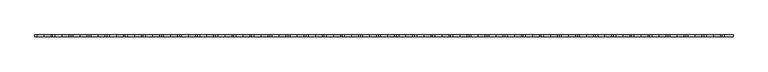
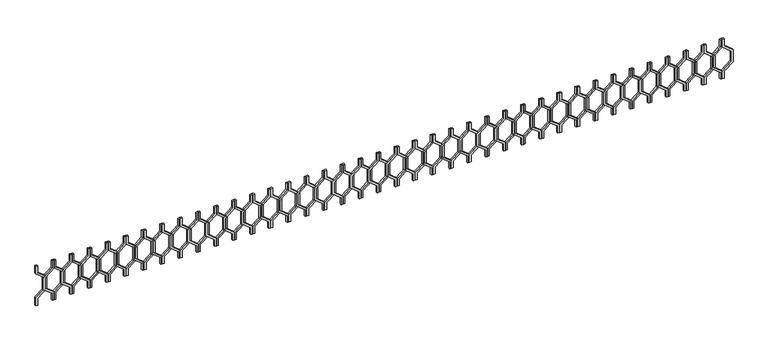
"""IFC4 building model written with IfcOpenShell, lengths in millimetres: railing geometry."""

from ifc_helpers import new_model, si_unit, frame, origin, place, context, project, spatial, polyline, outline, extrude, source, transform, mapped, element, save


def railing_f1221bb3(model_context):
    return source(origin(), model_context, "Body", "SweptSolid", [
        extrude(outline(polyline([(28713.0, -25324.9887159), (28623.448155, -25324.9887159), (28543.448155, -25225.9937665), (28422.551845, -25225.9937665), (28342.551845, -25324.9887159), (28253.0, -25324.9887159), (28253.0, -25304.9887159), (28333.0, -25304.9887159), (28413.0, -25205.9937665), (28553.0, -25205.9937665), (28633.0, -25304.9887159), (28713.0, -25304.9887159), (28713.0, -25324.9887159)])), frame((0.0, -16741.8920513, 0.0), z_axis=(0.0, 1.0, 0.0), x_axis=(0.0, 0.0, 1.0)), (0.0, 0.0, 1.0), 20.0),
        extrude(outline(polyline([(28713.0, -25324.9887159), (28713.0, -25344.9887159), (28633.0, -25344.9887159), (28553.0, -25443.9836653), (28413.0, -25443.9836653), (28333.0, -25344.9887159), (28253.0, -25344.9887159), (28253.0, -25324.9887159), (28342.551845, -25324.9887159), (28422.551845, -25423.9836653), (28543.448155, -25423.9836653), (28623.448155, -25324.9887159), (28713.0, -25324.9887159)])), frame((0.0, -16741.8920513, 0.0), z_axis=(0.0, 1.0, 0.0), x_axis=(0.0, 0.0, 1.0)), (0.0, 0.0, 1.0), 20.0),
        extrude(outline(polyline([(28713.0, -25524.9887159), (28623.448155, -25524.9887159), (28543.448155, -25425.9937665), (28422.551845, -25425.9937665), (28342.551845, -25524.9887159), (28253.0, -25524.9887159), (28253.0, -25504.9887159), (28333.0, -25504.9887159), (28413.0, -25405.9937665), (28553.0, -25405.9937665), (28633.0, -25504.9887159), (28713.0, -25504.9887159), (28713.0, -25524.9887159)])), frame((0.0, -16741.8920513, 0.0), z_axis=(0.0, 1.0, 0.0), x_axis=(0.0, 0.0, 1.0)), (0.0, 0.0, 1.0), 20.0),
        extrude(outline(polyline([(28713.0, -25524.9887159), (28713.0, -25544.9887159), (28633.0, -25544.9887159), (28553.0, -25643.9836653), (28413.0, -25643.9836653), (28333.0, -25544.9887159), (28253.0, -25544.9887159), (28253.0, -25524.9887159), (28342.551845, -25524.9887159), (28422.551845, -25623.9836653), (28543.448155, -25623.9836653), (28623.448155, -25524.9887159), (28713.0, -25524.9887159)])), frame((0.0, -16741.8920513, 0.0), z_axis=(0.0, 1.0, 0.0), x_axis=(0.0, 0.0, 1.0)), (0.0, 0.0, 1.0), 20.0),
        extrude(outline(polyline([(28713.0, -25724.9887159), (28623.448155, -25724.9887159), (28543.448155, -25625.9937665), (28422.551845, -25625.9937665), (28342.551845, -25724.9887159), (28253.0, -25724.9887159), (28253.0, -25704.9887159), (28333.0, -25704.9887159), (28413.0, -25605.9937665), (28553.0, -25605.9937665), (28633.0, -25704.9887159), (28713.0, -25704.9887159), (28713.0, -25724.9887159)])), frame((0.0, -16741.8920513, 0.0), z_axis=(0.0, 1.0, 0.0), x_axis=(0.0, 0.0, 1.0)), (0.0, 0.0, 1.0), 20.0),
        extrude(outline(polyline([(28713.0, -25724.9887159), (28713.0, -25744.9887159), (28633.0, -25744.9887159), (28553.0, -25843.9836653), (28413.0, -25843.9836653), (28333.0, -25744.9887159), (28253.0, -25744.9887159), (28253.0, -25724.9887159), (28342.551845, -25724.9887159), (28422.551845, -25823.9836653), (28543.448155, -25823.9836653), (28623.448155, -25724.9887159), (28713.0, -25724.9887159)])), frame((0.0, -16741.8920513, 0.0), z_axis=(0.0, 1.0, 0.0), x_axis=(0.0, 0.0, 1.0)), (0.0, 0.0, 1.0), 20.0),
        extrude(outline(polyline([(28713.0, -25924.9887159), (28623.448155, -25924.9887159), (28543.448155, -25825.9937665), (28422.551845, -25825.9937665), (28342.551845, -25924.9887159), (28253.0, -25924.9887159), (28253.0, -25904.9887159), (28333.0, -25904.9887159), (28413.0, -25805.9937665), (28553.0, -25805.9937665), (28633.0, -25904.9887159), (28713.0, -25904.9887159), (28713.0, -25924.9887159)])), frame((0.0, -16741.8920513, 0.0), z_axis=(0.0, 1.0, 0.0), x_axis=(0.0, 0.0, 1.0)), (0.0, 0.0, 1.0), 20.0),
        extrude(outline(polyline([(28713.0, -25924.9887159), (28713.0, -25944.9887159), (28633.0, -25944.9887159), (28553.0, -26043.9836653), (28413.0, -26043.9836653), (28333.0, -25944.9887159), (28253.0, -25944.9887159), (28253.0, -25924.9887159), (28342.551845, -25924.9887159), (28422.551845, -26023.9836653), (28543.448155, -26023.9836653), (28623.448155, -25924.9887159), (28713.0, -25924.9887159)])), frame((0.0, -16741.8920513, 0.0), z_axis=(0.0, 1.0, 0.0), x_axis=(0.0, 0.0, 1.0)), (0.0, 0.0, 1.0), 20.0),
        extrude(outline(polyline([(28713.0, -26124.9887159), (28623.448155, -26124.9887159), (28543.448155, -26025.9937665), (28422.551845, -26025.9937665), (28342.551845, -26124.9887159), (28253.0, -26124.9887159), (28253.0, -26104.9887159), (28333.0, -26104.9887159), (28413.0, -26005.9937665), (28553.0, -26005.9937665), (28633.0, -26104.9887159), (28713.0, -26104.9887159), (28713.0, -26124.9887159)])), frame((0.0, -16741.8920513, 0.0), z_axis=(0.0, 1.0, 0.0), x_axis=(0.0, 0.0, 1.0)), (0.0, 0.0, 1.0), 20.0),
        extrude(outline(polyline([(28713.0, -26124.9887159), (28713.0, -26144.9887159), (28633.0, -26144.9887159), (28553.0, -26243.9836653), (28413.0, -26243.9836653), (28333.0, -26144.9887159), (28253.0, -26144.9887159), (28253.0, -26124.9887159), (28342.551845, -26124.9887159), (28422.551845, -26223.9836653), (28543.448155, -26223.9836653), (28623.448155, -26124.9887159), (28713.0, -26124.9887159)])), frame((0.0, -16741.8920513, 0.0), z_axis=(0.0, 1.0, 0.0), x_axis=(0.0, 0.0, 1.0)), (0.0, 0.0, 1.0), 20.0),
        extrude(outline(polyline([(28713.0, -26324.9887159), (28623.448155, -26324.9887159), (28543.448155, -26225.9937665), (28422.551845, -26225.9937665), (28342.551845, -26324.9887159), (28253.0, -26324.9887159), (28253.0, -26304.9887159), (28333.0, -26304.9887159), (28413.0, -26205.9937665), (28553.0, -26205.9937665), (28633.0, -26304.9887159), (28713.0, -26304.9887159), (28713.0, -26324.9887159)])), frame((0.0, -16741.8920513, 0.0), z_axis=(0.0, 1.0, 0.0), x_axis=(0.0, 0.0, 1.0)), (0.0, 0.0, 1.0), 20.0),
        extrude(outline(polyline([(28713.0, -26324.9887159), (28713.0, -26344.9887159), (28633.0, -26344.9887159), (28553.0, -26443.9836653), (28413.0, -26443.9836653), (28333.0, -26344.9887159), (28253.0, -26344.9887159), (28253.0, -26324.9887159), (28342.551845, -26324.9887159), (28422.551845, -26423.9836653), (28543.448155, -26423.9836653), (28623.448155, -26324.9887159), (28713.0, -26324.9887159)])), frame((0.0, -16741.8920513, 0.0), z_axis=(0.0, 1.0, 0.0), x_axis=(0.0, 0.0, 1.0)), (0.0, 0.0, 1.0), 20.0),
        extrude(outline(polyline([(28713.0, -26524.9887159), (28623.448155, -26524.9887159), (28543.448155, -26425.9937665), (28422.551845, -26425.9937665), (28342.551845, -26524.9887159), (28253.0, -26524.9887159), (28253.0, -26504.9887159), (28333.0, -26504.9887159), (28413.0, -26405.9937665), (28553.0, -26405.9937665), (28633.0, -26504.9887159), (28713.0, -26504.9887159), (28713.0, -26524.9887159)])), frame((0.0, -16741.8920513, 0.0), z_axis=(0.0, 1.0, 0.0), x_axis=(0.0, 0.0, 1.0)), (0.0, 0.0, 1.0), 20.0),
        extrude(outline(polyline([(28713.0, -26524.9887159), (28713.0, -26544.9887159), (28633.0, -26544.9887159), (28553.0, -26643.9836653), (28413.0, -26643.9836653), (28333.0, -26544.9887159), (28253.0, -26544.9887159), (28253.0, -26524.9887159), (28342.551845, -26524.9887159), (28422.551845, -26623.9836653), (28543.448155, -26623.9836653), (28623.448155, -26524.9887159), (28713.0, -26524.9887159)])), frame((0.0, -16741.8920513, 0.0), z_axis=(0.0, 1.0, 0.0), x_axis=(0.0, 0.0, 1.0)), (0.0, 0.0, 1.0), 20.0),
        extrude(outline(polyline([(28713.0, -26724.9887159), (28623.448155, -26724.9887159), (28543.448155, -26625.9937665), (28422.551845, -26625.9937665), (28342.551845, -26724.9887159), (28253.0, -26724.9887159), (28253.0, -26704.9887159), (28333.0, -26704.9887159), (28413.0, -26605.9937665), (28553.0, -26605.9937665), (28633.0, -26704.9887159), (28713.0, -26704.9887159), (28713.0, -26724.9887159)])), frame((0.0, -16741.8920513, 0.0), z_axis=(0.0, 1.0, 0.0), x_axis=(0.0, 0.0, 1.0)), (0.0, 0.0, 1.0), 20.0),
        extrude(outline(polyline([(28713.0, -26724.9887159), (28713.0, -26744.9887159), (28633.0, -26744.9887159), (28553.0, -26843.9836653), (28413.0, -26843.9836653), (28333.0, -26744.9887159), (28253.0, -26744.9887159), (28253.0, -26724.9887159), (28342.551845, -26724.9887159), (28422.551845, -26823.9836653), (28543.448155, -26823.9836653), (28623.448155, -26724.9887159), (28713.0, -26724.9887159)])), frame((0.0, -16741.8920513, 0.0), z_axis=(0.0, 1.0, 0.0), x_axis=(0.0, 0.0, 1.0)), (0.0, 0.0, 1.0), 20.0),
        extrude(outline(polyline([(28713.0, -26924.9887159), (28623.448155, -26924.9887159), (28543.448155, -26825.9937665), (28422.551845, -26825.9937665), (28342.551845, -26924.9887159), (28253.0, -26924.9887159), (28253.0, -26904.9887159), (28333.0, -26904.9887159), (28413.0, -26805.9937665), (28553.0, -26805.9937665), (28633.0, -26904.9887159), (28713.0, -26904.9887159), (28713.0, -26924.9887159)])), frame((0.0, -16741.8920513, 0.0), z_axis=(0.0, 1.0, 0.0), x_axis=(0.0, 0.0, 1.0)), (0.0, 0.0, 1.0), 20.0),
        extrude(outline(polyline([(28713.0, -26924.9887159), (28713.0, -26944.9887159), (28633.0, -26944.9887159), (28553.0, -27043.9836653), (28413.0, -27043.9836653), (28333.0, -26944.9887159), (28253.0, -26944.9887159), (28253.0, -26924.9887159), (28342.551845, -26924.9887159), (28422.551845, -27023.9836653), (28543.448155, -27023.9836653), (28623.448155, -26924.9887159), (28713.0, -26924.9887159)])), frame((0.0, -16741.8920513, 0.0), z_axis=(0.0, 1.0, 0.0), x_axis=(0.0, 0.0, 1.0)), (0.0, 0.0, 1.0), 20.0),
        extrude(outline(polyline([(28713.0, -27124.9887159), (28623.448155, -27124.9887159), (28543.448155, -27025.9937665), (28422.551845, -27025.9937665), (28342.551845, -27124.9887159), (28253.0, -27124.9887159), (28253.0, -27104.9887159), (28333.0, -27104.9887159), (28413.0, -27005.9937665), (28553.0, -27005.9937665), (28633.0, -27104.9887159), (28713.0, -27104.9887159), (28713.0, -27124.9887159)])), frame((0.0, -16741.8920513, 0.0), z_axis=(0.0, 1.0, 0.0), x_axis=(0.0, 0.0, 1.0)), (0.0, 0.0, 1.0), 20.0),
        extrude(outline(polyline([(28713.0, -27124.9887159), (28713.0, -27144.9887159), (28633.0, -27144.9887159), (28553.0, -27243.9836653), (28413.0, -27243.9836653), (28333.0, -27144.9887159), (28253.0, -27144.9887159), (28253.0, -27124.9887159), (28342.551845, -27124.9887159), (28422.551845, -27223.9836653), (28543.448155, -27223.9836653), (28623.448155, -27124.9887159), (28713.0, -27124.9887159)])), frame((0.0, -16741.8920513, 0.0), z_axis=(0.0, 1.0, 0.0), x_axis=(0.0, 0.0, 1.0)), (0.0, 0.0, 1.0), 20.0),
        extrude(outline(polyline([(28713.0, -27324.9887159), (28623.448155, -27324.9887159), (28543.448155, -27225.9937665), (28422.551845, -27225.9937665), (28342.551845, -27324.9887159), (28253.0, -27324.9887159), (28253.0, -27304.9887159), (28333.0, -27304.9887159), (28413.0, -27205.9937665), (28553.0, -27205.9937665), (28633.0, -27304.9887159), (28713.0, -27304.9887159), (28713.0, -27324.9887159)])), frame((0.0, -16741.8920513, 0.0), z_axis=(0.0, 1.0, 0.0), x_axis=(0.0, 0.0, 1.0)), (0.0, 0.0, 1.0), 20.0),
        extrude(outline(polyline([(28713.0, -27324.9887159), (28713.0, -27344.9887159), (28633.0, -27344.9887159), (28553.0, -27443.9836653), (28413.0, -27443.9836653), (28333.0, -27344.9887159), (28253.0, -27344.9887159), (28253.0, -27324.9887159), (28342.551845, -27324.9887159), (28422.551845, -27423.9836653), (28543.448155, -27423.9836653), (28623.448155, -27324.9887159), (28713.0, -27324.9887159)])), frame((0.0, -16741.8920513, 0.0), z_axis=(0.0, 1.0, 0.0), x_axis=(0.0, 0.0, 1.0)), (0.0, 0.0, 1.0), 20.0),
        extrude(outline(polyline([(28713.0, -27524.9887159), (28623.448155, -27524.9887159), (28543.448155, -27425.9937665), (28422.551845, -27425.9937665), (28342.551845, -27524.9887159), (28253.0, -27524.9887159), (28253.0, -27504.9887159), (28333.0, -27504.9887159), (28413.0, -27405.9937665), (28553.0, -27405.9937665), (28633.0, -27504.9887159), (28713.0, -27504.9887159), (28713.0, -27524.9887159)])), frame((0.0, -16741.8920513, 0.0), z_axis=(0.0, 1.0, 0.0), x_axis=(0.0, 0.0, 1.0)), (0.0, 0.0, 1.0), 20.0),
        extrude(outline(polyline([(28713.0, -27524.9887159), (28713.0, -27544.9887159), (28633.0, -27544.9887159), (28553.0, -27643.9836653), (28413.0, -27643.9836653), (28333.0, -27544.9887159), (28253.0, -27544.9887159), (28253.0, -27524.9887159), (28342.551845, -27524.9887159), (28422.551845, -27623.9836653), (28543.448155, -27623.9836653), (28623.448155, -27524.9887159), (28713.0, -27524.9887159)])), frame((0.0, -16741.8920513, 0.0), z_axis=(0.0, 1.0, 0.0), x_axis=(0.0, 0.0, 1.0)), (0.0, 0.0, 1.0), 20.0),
        extrude(outline(polyline([(28713.0, -27724.9887159), (28623.448155, -27724.9887159), (28543.448155, -27625.9937665), (28422.551845, -27625.9937665), (28342.551845, -27724.9887159), (28253.0, -27724.9887159), (28253.0, -27704.9887159), (28333.0, -27704.9887159), (28413.0, -27605.9937665), (28553.0, -27605.9937665), (28633.0, -27704.9887159), (28713.0, -27704.9887159), (28713.0, -27724.9887159)])), frame((0.0, -16741.8920513, 0.0), z_axis=(0.0, 1.0, 0.0), x_axis=(0.0, 0.0, 1.0)), (0.0, 0.0, 1.0), 20.0),
        extrude(outline(polyline([(28713.0, -27724.9887159), (28713.0, -27744.9887159), (28633.0, -27744.9887159), (28553.0, -27843.9836653), (28413.0, -27843.9836653), (28333.0, -27744.9887159), (28253.0, -27744.9887159), (28253.0, -27724.9887159), (28342.551845, -27724.9887159), (28422.551845, -27823.9836653), (28543.448155, -27823.9836653), (28623.448155, -27724.9887159), (28713.0, -27724.9887159)])), frame((0.0, -16741.8920513, 0.0), z_axis=(0.0, 1.0, 0.0), x_axis=(0.0, 0.0, 1.0)), (0.0, 0.0, 1.0), 20.0),
        extrude(outline(polyline([(28713.0, -27924.9887159), (28623.448155, -27924.9887159), (28543.448155, -27825.9937665), (28422.551845, -27825.9937665), (28342.551845, -27924.9887159), (28253.0, -27924.9887159), (28253.0, -27904.9887159), (28333.0, -27904.9887159), (28413.0, -27805.9937665), (28553.0, -27805.9937665), (28633.0, -27904.9887159), (28713.0, -27904.9887159), (28713.0, -27924.9887159)])), frame((0.0, -16741.8920513, 0.0), z_axis=(0.0, 1.0, 0.0), x_axis=(0.0, 0.0, 1.0)), (0.0, 0.0, 1.0), 20.0),
        extrude(outline(polyline([(28713.0, -27924.9887159), (28713.0, -27944.9887159), (28633.0, -27944.9887159), (28553.0, -28043.9836653), (28413.0, -28043.9836653), (28333.0, -27944.9887159), (28253.0, -27944.9887159), (28253.0, -27924.9887159), (28342.551845, -27924.9887159), (28422.551845, -28023.9836653), (28543.448155, -28023.9836653), (28623.448155, -27924.9887159), (28713.0, -27924.9887159)])), frame((0.0, -16741.8920513, 0.0), z_axis=(0.0, 1.0, 0.0), x_axis=(0.0, 0.0, 1.0)), (0.0, 0.0, 1.0), 20.0),
        extrude(outline(polyline([(28713.0, -28124.9887159), (28623.448155, -28124.9887159), (28543.448155, -28025.9937665), (28422.551845, -28025.9937665), (28342.551845, -28124.9887159), (28253.0, -28124.9887159), (28253.0, -28104.9887159), (28333.0, -28104.9887159), (28413.0, -28005.9937665), (28553.0, -28005.9937665), (28633.0, -28104.9887159), (28713.0, -28104.9887159), (28713.0, -28124.9887159)])), frame((0.0, -16741.8920513, 0.0), z_axis=(0.0, 1.0, 0.0), x_axis=(0.0, 0.0, 1.0)), (0.0, 0.0, 1.0), 20.0),
        extrude(outline(polyline([(28713.0, -28124.9887159), (28713.0, -28144.9887159), (28633.0, -28144.9887159), (28553.0, -28243.9836653), (28413.0, -28243.9836653), (28333.0, -28144.9887159), (28253.0, -28144.9887159), (28253.0, -28124.9887159), (28342.551845, -28124.9887159), (28422.551845, -28223.9836653), (28543.448155, -28223.9836653), (28623.448155, -28124.9887159), (28713.0, -28124.9887159)])), frame((0.0, -16741.8920513, 0.0), z_axis=(0.0, 1.0, 0.0), x_axis=(0.0, 0.0, 1.0)), (0.0, 0.0, 1.0), 20.0),
        extrude(outline(polyline([(28713.0, -28324.9887159), (28623.448155, -28324.9887159), (28543.448155, -28225.9937665), (28422.551845, -28225.9937665), (28342.551845, -28324.9887159), (28253.0, -28324.9887159), (28253.0, -28304.9887159), (28333.0, -28304.9887159), (28413.0, -28205.9937665), (28553.0, -28205.9937665), (28633.0, -28304.9887159), (28713.0, -28304.9887159), (28713.0, -28324.9887159)])), frame((0.0, -16741.8920513, 0.0), z_axis=(0.0, 1.0, 0.0), x_axis=(0.0, 0.0, 1.0)), (0.0, 0.0, 1.0), 20.0),
        extrude(outline(polyline([(28713.0, -28324.9887159), (28713.0, -28344.9887159), (28633.0, -28344.9887159), (28553.0, -28443.9836653), (28413.0, -28443.9836653), (28333.0, -28344.9887159), (28253.0, -28344.9887159), (28253.0, -28324.9887159), (28342.551845, -28324.9887159), (28422.551845, -28423.9836653), (28543.448155, -28423.9836653), (28623.448155, -28324.9887159), (28713.0, -28324.9887159)])), frame((0.0, -16741.8920513, 0.0), z_axis=(0.0, 1.0, 0.0), x_axis=(0.0, 0.0, 1.0)), (0.0, 0.0, 1.0), 20.0),
        extrude(outline(polyline([(28713.0, -28524.9887159), (28623.448155, -28524.9887159), (28543.448155, -28425.9937665), (28422.551845, -28425.9937665), (28342.551845, -28524.9887159), (28253.0, -28524.9887159), (28253.0, -28504.9887159), (28333.0, -28504.9887159), (28413.0, -28405.9937665), (28553.0, -28405.9937665), (28633.0, -28504.9887159), (28713.0, -28504.9887159), (28713.0, -28524.9887159)])), frame((0.0, -16741.8920513, 0.0), z_axis=(0.0, 1.0, 0.0), x_axis=(0.0, 0.0, 1.0)), (0.0, 0.0, 1.0), 20.0),
        extrude(outline(polyline([(28713.0, -28524.9887159), (28713.0, -28544.9887159), (28633.0, -28544.9887159), (28553.0, -28643.9836653), (28413.0, -28643.9836653), (28333.0, -28544.9887159), (28253.0, -28544.9887159), (28253.0, -28524.9887159), (28342.551845, -28524.9887159), (28422.551845, -28623.9836653), (28543.448155, -28623.9836653), (28623.448155, -28524.9887159), (28713.0, -28524.9887159)])), frame((0.0, -16741.8920513, 0.0), z_axis=(0.0, 1.0, 0.0), x_axis=(0.0, 0.0, 1.0)), (0.0, 0.0, 1.0), 20.0),
        extrude(outline(polyline([(28713.0, -28724.9887159), (28623.448155, -28724.9887159), (28543.448155, -28625.9937665), (28422.551845, -28625.9937665), (28342.551845, -28724.9887159), (28253.0, -28724.9887159), (28253.0, -28704.9887159), (28333.0, -28704.9887159), (28413.0, -28605.9937665), (28553.0, -28605.9937665), (28633.0, -28704.9887159), (28713.0, -28704.9887159), (28713.0, -28724.9887159)])), frame((0.0, -16741.8920513, 0.0), z_axis=(0.0, 1.0, 0.0), x_axis=(0.0, 0.0, 1.0)), (0.0, 0.0, 1.0), 20.0),
        extrude(outline(polyline([(28713.0, -28724.9887159), (28713.0, -28744.9887159), (28633.0, -28744.9887159), (28553.0, -28843.9836653), (28413.0, -28843.9836653), (28333.0, -28744.9887159), (28253.0, -28744.9887159), (28253.0, -28724.9887159), (28342.551845, -28724.9887159), (28422.551845, -28823.9836653), (28543.448155, -28823.9836653), (28623.448155, -28724.9887159), (28713.0, -28724.9887159)])), frame((0.0, -16741.8920513, 0.0), z_axis=(0.0, 1.0, 0.0), x_axis=(0.0, 0.0, 1.0)), (0.0, 0.0, 1.0), 20.0),
        extrude(outline(polyline([(28713.0, -28924.9887159), (28623.448155, -28924.9887159), (28543.448155, -28825.9937665), (28422.551845, -28825.9937665), (28342.551845, -28924.9887159), (28253.0, -28924.9887159), (28253.0, -28904.9887159), (28333.0, -28904.9887159), (28413.0, -28805.9937665), (28553.0, -28805.9937665), (28633.0, -28904.9887159), (28713.0, -28904.9887159), (28713.0, -28924.9887159)])), frame((0.0, -16741.8920513, 0.0), z_axis=(0.0, 1.0, 0.0), x_axis=(0.0, 0.0, 1.0)), (0.0, 0.0, 1.0), 20.0),
        extrude(outline(polyline([(28713.0, -28924.9887159), (28713.0, -28944.9887159), (28633.0, -28944.9887159), (28553.0, -29043.9836653), (28413.0, -29043.9836653), (28333.0, -28944.9887159), (28253.0, -28944.9887159), (28253.0, -28924.9887159), (28342.551845, -28924.9887159), (28422.551845, -29023.9836653), (28543.448155, -29023.9836653), (28623.448155, -28924.9887159), (28713.0, -28924.9887159)])), frame((0.0, -16741.8920513, 0.0), z_axis=(0.0, 1.0, 0.0), x_axis=(0.0, 0.0, 1.0)), (0.0, 0.0, 1.0), 20.0),
        extrude(outline(polyline([(28713.0, -29124.9887159), (28623.448155, -29124.9887159), (28543.448155, -29025.9937665), (28422.551845, -29025.9937665), (28342.551845, -29124.9887159), (28253.0, -29124.9887159), (28253.0, -29104.9887159), (28333.0, -29104.9887159), (28413.0, -29005.9937665), (28553.0, -29005.9937665), (28633.0, -29104.9887159), (28713.0, -29104.9887159), (28713.0, -29124.9887159)])), frame((0.0, -16741.8920513, 0.0), z_axis=(0.0, 1.0, 0.0), x_axis=(0.0, 0.0, 1.0)), (0.0, 0.0, 1.0), 20.0),
        extrude(outline(polyline([(28713.0, -29124.9887159), (28713.0, -29144.9887159), (28633.0, -29144.9887159), (28553.0, -29243.9836653), (28413.0, -29243.9836653), (28333.0, -29144.9887159), (28253.0, -29144.9887159), (28253.0, -29124.9887159), (28342.551845, -29124.9887159), (28422.551845, -29223.9836653), (28543.448155, -29223.9836653), (28623.448155, -29124.9887159), (28713.0, -29124.9887159)])), frame((0.0, -16741.8920513, 0.0), z_axis=(0.0, 1.0, 0.0), x_axis=(0.0, 0.0, 1.0)), (0.0, 0.0, 1.0), 20.0),
        extrude(outline(polyline([(28713.0, -29324.9887159), (28623.448155, -29324.9887159), (28543.448155, -29225.9937665), (28422.551845, -29225.9937665), (28342.551845, -29324.9887159), (28253.0, -29324.9887159), (28253.0, -29304.9887159), (28333.0, -29304.9887159), (28413.0, -29205.9937665), (28553.0, -29205.9937665), (28633.0, -29304.9887159), (28713.0, -29304.9887159), (28713.0, -29324.9887159)])), frame((0.0, -16741.8920513, 0.0), z_axis=(0.0, 1.0, 0.0), x_axis=(0.0, 0.0, 1.0)), (0.0, 0.0, 1.0), 20.0),
        extrude(outline(polyline([(28713.0, -29324.9887159), (28713.0, -29344.9887159), (28633.0, -29344.9887159), (28553.0, -29443.9836653), (28413.0, -29443.9836653), (28333.0, -29344.9887159), (28253.0, -29344.9887159), (28253.0, -29324.9887159), (28342.551845, -29324.9887159), (28422.551845, -29423.9836653), (28543.448155, -29423.9836653), (28623.448155, -29324.9887159), (28713.0, -29324.9887159)])), frame((0.0, -16741.8920513, 0.0), z_axis=(0.0, 1.0, 0.0), x_axis=(0.0, 0.0, 1.0)), (0.0, 0.0, 1.0), 20.0),
        extrude(outline(polyline([(28713.0, -29524.9887159), (28623.448155, -29524.9887159), (28543.448155, -29425.9937665), (28422.551845, -29425.9937665), (28342.551845, -29524.9887159), (28253.0, -29524.9887159), (28253.0, -29504.9887159), (28333.0, -29504.9887159), (28413.0, -29405.9937665), (28553.0, -29405.9937665), (28633.0, -29504.9887159), (28713.0, -29504.9887159), (28713.0, -29524.9887159)])), frame((0.0, -16741.8920513, 0.0), z_axis=(0.0, 1.0, 0.0), x_axis=(0.0, 0.0, 1.0)), (0.0, 0.0, 1.0), 20.0),
        extrude(outline(polyline([(28713.0, -29524.9887159), (28713.0, -29544.9887159), (28633.0, -29544.9887159), (28553.0, -29643.9836653), (28413.0, -29643.9836653), (28333.0, -29544.9887159), (28253.0, -29544.9887159), (28253.0, -29524.9887159), (28342.551845, -29524.9887159), (28422.551845, -29623.9836653), (28543.448155, -29623.9836653), (28623.448155, -29524.9887159), (28713.0, -29524.9887159)])), frame((0.0, -16741.8920513, 0.0), z_axis=(0.0, 1.0, 0.0), x_axis=(0.0, 0.0, 1.0)), (0.0, 0.0, 1.0), 20.0),
        extrude(outline(polyline([(28713.0, -29724.9887159), (28623.448155, -29724.9887159), (28543.448155, -29625.9937665), (28422.551845, -29625.9937665), (28342.551845, -29724.9887159), (28253.0, -29724.9887159), (28253.0, -29704.9887159), (28333.0, -29704.9887159), (28413.0, -29605.9937665), (28553.0, -29605.9937665), (28633.0, -29704.9887159), (28713.0, -29704.9887159), (28713.0, -29724.9887159)])), frame((0.0, -16741.8920513, 0.0), z_axis=(0.0, 1.0, 0.0), x_axis=(0.0, 0.0, 1.0)), (0.0, 0.0, 1.0), 20.0),
        extrude(outline(polyline([(28713.0, -29724.9887159), (28713.0, -29744.9887159), (28633.0, -29744.9887159), (28553.0, -29843.9836653), (28413.0, -29843.9836653), (28333.0, -29744.9887159), (28253.0, -29744.9887159), (28253.0, -29724.9887159), (28342.551845, -29724.9887159), (28422.551845, -29823.9836653), (28543.448155, -29823.9836653), (28623.448155, -29724.9887159), (28713.0, -29724.9887159)])), frame((0.0, -16741.8920513, 0.0), z_axis=(0.0, 1.0, 0.0), x_axis=(0.0, 0.0, 1.0)), (0.0, 0.0, 1.0), 20.0),
        extrude(outline(polyline([(28713.0, -29924.9887159), (28623.448155, -29924.9887159), (28543.448155, -29825.9937665), (28422.551845, -29825.9937665), (28342.551845, -29924.9887159), (28253.0, -29924.9887159), (28253.0, -29904.9887159), (28333.0, -29904.9887159), (28413.0, -29805.9937665), (28553.0, -29805.9937665), (28633.0, -29904.9887159), (28713.0, -29904.9887159), (28713.0, -29924.9887159)])), frame((0.0, -16741.8920513, 0.0), z_axis=(0.0, 1.0, 0.0), x_axis=(0.0, 0.0, 1.0)), (0.0, 0.0, 1.0), 20.0),
        extrude(outline(polyline([(28713.0, -29924.9887159), (28713.0, -29944.9887159), (28633.0, -29944.9887159), (28553.0, -30043.9836653), (28413.0, -30043.9836653), (28333.0, -29944.9887159), (28253.0, -29944.9887159), (28253.0, -29924.9887159), (28342.551845, -29924.9887159), (28422.551845, -30023.9836653), (28543.448155, -30023.9836653), (28623.448155, -29924.9887159), (28713.0, -29924.9887159)])), frame((0.0, -16741.8920513, 0.0), z_axis=(0.0, 1.0, 0.0), x_axis=(0.0, 0.0, 1.0)), (0.0, 0.0, 1.0), 20.0),
        extrude(outline(polyline([(28713.0, -30124.9887159), (28623.448155, -30124.9887159), (28543.448155, -30025.9937665), (28422.551845, -30025.9937665), (28342.551845, -30124.9887159), (28253.0, -30124.9887159), (28253.0, -30104.9887159), (28333.0, -30104.9887159), (28413.0, -30005.9937665), (28553.0, -30005.9937665), (28633.0, -30104.9887159), (28713.0, -30104.9887159), (28713.0, -30124.9887159)])), frame((0.0, -16741.8920513, 0.0), z_axis=(0.0, 1.0, 0.0), x_axis=(0.0, 0.0, 1.0)), (0.0, 0.0, 1.0), 20.0),
        extrude(outline(polyline([(28713.0, -30124.9887159), (28713.0, -30144.9887159), (28633.0, -30144.9887159), (28553.0, -30243.9836653), (28413.0, -30243.9836653), (28333.0, -30144.9887159), (28253.0, -30144.9887159), (28253.0, -30124.9887159), (28342.551845, -30124.9887159), (28422.551845, -30223.9836653), (28543.448155, -30223.9836653), (28623.448155, -30124.9887159), (28713.0, -30124.9887159)])), frame((0.0, -16741.8920513, 0.0), z_axis=(0.0, 1.0, 0.0), x_axis=(0.0, 0.0, 1.0)), (0.0, 0.0, 1.0), 20.0),
        extrude(outline(polyline([(28713.0, -30324.9887159), (28623.448155, -30324.9887159), (28543.448155, -30225.9937665), (28422.551845, -30225.9937665), (28342.551845, -30324.9887159), (28253.0, -30324.9887159), (28253.0, -30304.9887159), (28333.0, -30304.9887159), (28413.0, -30205.9937665), (28553.0, -30205.9937665), (28633.0, -30304.9887159), (28713.0, -30304.9887159), (28713.0, -30324.9887159)])), frame((0.0, -16741.8920513, 0.0), z_axis=(0.0, 1.0, 0.0), x_axis=(0.0, 0.0, 1.0)), (0.0, 0.0, 1.0), 20.0),
        extrude(outline(polyline([(28713.0, -30324.9887159), (28713.0, -30344.9887159), (28633.0, -30344.9887159), (28553.0, -30443.9836653), (28413.0, -30443.9836653), (28333.0, -30344.9887159), (28253.0, -30344.9887159), (28253.0, -30324.9887159), (28342.551845, -30324.9887159), (28422.551845, -30423.9836653), (28543.448155, -30423.9836653), (28623.448155, -30324.9887159), (28713.0, -30324.9887159)])), frame((0.0, -16741.8920513, 0.0), z_axis=(0.0, 1.0, 0.0), x_axis=(0.0, 0.0, 1.0)), (0.0, 0.0, 1.0), 20.0),
        extrude(outline(polyline([(28713.0, -30524.9887159), (28623.448155, -30524.9887159), (28543.448155, -30425.9937665), (28422.551845, -30425.9937665), (28342.551845, -30524.9887159), (28253.0, -30524.9887159), (28253.0, -30504.9887159), (28333.0, -30504.9887159), (28413.0, -30405.9937665), (28553.0, -30405.9937665), (28633.0, -30504.9887159), (28713.0, -30504.9887159), (28713.0, -30524.9887159)])), frame((0.0, -16741.8920513, 0.0), z_axis=(0.0, 1.0, 0.0), x_axis=(0.0, 0.0, 1.0)), (0.0, 0.0, 1.0), 20.0),
        extrude(outline(polyline([(28713.0, -30524.9887159), (28713.0, -30544.9887159), (28633.0, -30544.9887159), (28553.0, -30643.9836653), (28413.0, -30643.9836653), (28333.0, -30544.9887159), (28253.0, -30544.9887159), (28253.0, -30524.9887159), (28342.551845, -30524.9887159), (28422.551845, -30623.9836653), (28543.448155, -30623.9836653), (28623.448155, -30524.9887159), (28713.0, -30524.9887159)])), frame((0.0, -16741.8920513, 0.0), z_axis=(0.0, 1.0, 0.0), x_axis=(0.0, 0.0, 1.0)), (0.0, 0.0, 1.0), 20.0),
        extrude(outline(polyline([(28713.0, -30724.9887159), (28623.448155, -30724.9887159), (28543.448155, -30625.9937665), (28422.551845, -30625.9937665), (28342.551845, -30724.9887159), (28253.0, -30724.9887159), (28253.0, -30704.9887159), (28333.0, -30704.9887159), (28413.0, -30605.9937665), (28553.0, -30605.9937665), (28633.0, -30704.9887159), (28713.0, -30704.9887159), (28713.0, -30724.9887159)])), frame((0.0, -16741.8920513, 0.0), z_axis=(0.0, 1.0, 0.0), x_axis=(0.0, 0.0, 1.0)), (0.0, 0.0, 1.0), 20.0),
        extrude(outline(polyline([(28713.0, -30724.9887159), (28713.0, -30744.9887159), (28633.0, -30744.9887159), (28553.0, -30843.9836653), (28413.0, -30843.9836653), (28333.0, -30744.9887159), (28253.0, -30744.9887159), (28253.0, -30724.9887159), (28342.551845, -30724.9887159), (28422.551845, -30823.9836653), (28543.448155, -30823.9836653), (28623.448155, -30724.9887159), (28713.0, -30724.9887159)])), frame((0.0, -16741.8920513, 0.0), z_axis=(0.0, 1.0, 0.0), x_axis=(0.0, 0.0, 1.0)), (0.0, 0.0, 1.0), 20.0),
        extrude(outline(polyline([(28713.0, -30924.9887159), (28623.448155, -30924.9887159), (28543.448155, -30825.9937665), (28422.551845, -30825.9937665), (28342.551845, -30924.9887159), (28253.0, -30924.9887159), (28253.0, -30904.9887159), (28333.0, -30904.9887159), (28413.0, -30805.9937665), (28553.0, -30805.9937665), (28633.0, -30904.9887159), (28713.0, -30904.9887159), (28713.0, -30924.9887159)])), frame((0.0, -16741.8920513, 0.0), z_axis=(0.0, 1.0, 0.0), x_axis=(0.0, 0.0, 1.0)), (0.0, 0.0, 1.0), 20.0),
        extrude(outline(polyline([(28713.0, -30924.9887159), (28713.0, -30944.9887159), (28633.0, -30944.9887159), (28553.0, -31043.9836653), (28413.0, -31043.9836653), (28333.0, -30944.9887159), (28253.0, -30944.9887159), (28253.0, -30924.9887159), (28342.551845, -30924.9887159), (28422.551845, -31023.9836653), (28543.448155, -31023.9836653), (28623.448155, -30924.9887159), (28713.0, -30924.9887159)])), frame((0.0, -16741.8920513, 0.0), z_axis=(0.0, 1.0, 0.0), x_axis=(0.0, 0.0, 1.0)), (0.0, 0.0, 1.0), 20.0),
        extrude(outline(polyline([(28713.0, -31124.9887159), (28623.448155, -31124.9887159), (28543.448155, -31025.9937665), (28422.551845, -31025.9937665), (28342.551845, -31124.9887159), (28253.0, -31124.9887159), (28253.0, -31104.9887159), (28333.0, -31104.9887159), (28413.0, -31005.9937665), (28553.0, -31005.9937665), (28633.0, -31104.9887159), (28713.0, -31104.9887159), (28713.0, -31124.9887159)])), frame((0.0, -16741.8920513, 0.0), z_axis=(0.0, 1.0, 0.0), x_axis=(0.0, 0.0, 1.0)), (0.0, 0.0, 1.0), 20.0),
        extrude(outline(polyline([(28713.0, -31124.9887159), (28713.0, -31144.9887159), (28633.0, -31144.9887159), (28553.0, -31243.9836653), (28413.0, -31243.9836653), (28333.0, -31144.9887159), (28253.0, -31144.9887159), (28253.0, -31124.9887159), (28342.551845, -31124.9887159), (28422.551845, -31223.9836653), (28543.448155, -31223.9836653), (28623.448155, -31124.9887159), (28713.0, -31124.9887159)])), frame((0.0, -16741.8920513, 0.0), z_axis=(0.0, 1.0, 0.0), x_axis=(0.0, 0.0, 1.0)), (0.0, 0.0, 1.0), 20.0),
        extrude(outline(polyline([(28713.0, -31324.9887159), (28623.448155, -31324.9887159), (28543.448155, -31225.9937665), (28422.551845, -31225.9937665), (28342.551845, -31324.9887159), (28253.0, -31324.9887159), (28253.0, -31304.9887159), (28333.0, -31304.9887159), (28413.0, -31205.9937665), (28553.0, -31205.9937665), (28633.0, -31304.9887159), (28713.0, -31304.9887159), (28713.0, -31324.9887159)])), frame((0.0, -16741.8920513, 0.0), z_axis=(0.0, 1.0, 0.0), x_axis=(0.0, 0.0, 1.0)), (0.0, 0.0, 1.0), 20.0),
        extrude(outline(polyline([(28713.0, -31324.9887159), (28713.0, -31344.9887159), (28633.0, -31344.9887159), (28553.0, -31443.9836653), (28413.0, -31443.9836653), (28333.0, -31344.9887159), (28253.0, -31344.9887159), (28253.0, -31324.9887159), (28342.551845, -31324.9887159), (28422.551845, -31423.9836653), (28543.448155, -31423.9836653), (28623.448155, -31324.9887159), (28713.0, -31324.9887159)])), frame((0.0, -16741.8920513, 0.0), z_axis=(0.0, 1.0, 0.0), x_axis=(0.0, 0.0, 1.0)), (0.0, 0.0, 1.0), 20.0),
        extrude(outline(polyline([(28713.0, -31524.9887159), (28623.448155, -31524.9887159), (28543.448155, -31425.9937665), (28422.551845, -31425.9937665), (28342.551845, -31524.9887159), (28253.0, -31524.9887159), (28253.0, -31504.9887159), (28333.0, -31504.9887159), (28413.0, -31405.9937665), (28553.0, -31405.9937665), (28633.0, -31504.9887159), (28713.0, -31504.9887159), (28713.0, -31524.9887159)])), frame((0.0, -16741.8920513, 0.0), z_axis=(0.0, 1.0, 0.0), x_axis=(0.0, 0.0, 1.0)), (0.0, 0.0, 1.0), 20.0),
        extrude(outline(polyline([(28713.0, -31524.9887159), (28713.0, -31544.9887159), (28633.0, -31544.9887159), (28553.0, -31643.9836653), (28413.0, -31643.9836653), (28333.0, -31544.9887159), (28253.0, -31544.9887159), (28253.0, -31524.9887159), (28342.551845, -31524.9887159), (28422.551845, -31623.9836653), (28543.448155, -31623.9836653), (28623.448155, -31524.9887159), (28713.0, -31524.9887159)])), frame((0.0, -16741.8920513, 0.0), z_axis=(0.0, 1.0, 0.0), x_axis=(0.0, 0.0, 1.0)), (0.0, 0.0, 1.0), 20.0),
        extrude(outline(polyline([(28713.0, -31724.9887159), (28623.448155, -31724.9887159), (28543.448155, -31625.9937665), (28422.551845, -31625.9937665), (28342.551845, -31724.9887159), (28253.0, -31724.9887159), (28253.0, -31704.9887159), (28333.0, -31704.9887159), (28413.0, -31605.9937665), (28553.0, -31605.9937665), (28633.0, -31704.9887159), (28713.0, -31704.9887159), (28713.0, -31724.9887159)])), frame((0.0, -16741.8920513, 0.0), z_axis=(0.0, 1.0, 0.0), x_axis=(0.0, 0.0, 1.0)), (0.0, 0.0, 1.0), 20.0),
        extrude(outline(polyline([(28713.0, -31724.9887159), (28713.0, -31744.9887159), (28633.0, -31744.9887159), (28553.0, -31843.9836653), (28413.0, -31843.9836653), (28333.0, -31744.9887159), (28253.0, -31744.9887159), (28253.0, -31724.9887159), (28342.551845, -31724.9887159), (28422.551845, -31823.9836653), (28543.448155, -31823.9836653), (28623.448155, -31724.9887159), (28713.0, -31724.9887159)])), frame((0.0, -16741.8920513, 0.0), z_axis=(0.0, 1.0, 0.0), x_axis=(0.0, 0.0, 1.0)), (0.0, 0.0, 1.0), 20.0),
        extrude(outline(polyline([(28713.0, -31924.9887159), (28623.448155, -31924.9887159), (28543.448155, -31825.9937665), (28422.551845, -31825.9937665), (28342.551845, -31924.9887159), (28253.0, -31924.9887159), (28253.0, -31904.9887159), (28333.0, -31904.9887159), (28413.0, -31805.9937665), (28553.0, -31805.9937665), (28633.0, -31904.9887159), (28713.0, -31904.9887159), (28713.0, -31924.9887159)])), frame((0.0, -16741.8920513, 0.0), z_axis=(0.0, 1.0, 0.0), x_axis=(0.0, 0.0, 1.0)), (0.0, 0.0, 1.0), 20.0),
        extrude(outline(polyline([(28713.0, -31924.9887159), (28713.0, -31944.9887159), (28633.0, -31944.9887159), (28553.0, -32043.9836653), (28413.0, -32043.9836653), (28333.0, -31944.9887159), (28253.0, -31944.9887159), (28253.0, -31924.9887159), (28342.551845, -31924.9887159), (28422.551845, -32023.9836653), (28543.448155, -32023.9836653), (28623.448155, -31924.9887159), (28713.0, -31924.9887159)])), frame((0.0, -16741.8920513, 0.0), z_axis=(0.0, 1.0, 0.0), x_axis=(0.0, 0.0, 1.0)), (0.0, 0.0, 1.0), 20.0),
        extrude(outline(polyline([(28713.0, -32124.9887159), (28623.448155, -32124.9887159), (28543.448155, -32025.9937665), (28422.551845, -32025.9937665), (28342.551845, -32124.9887159), (28253.0, -32124.9887159), (28253.0, -32104.9887159), (28333.0, -32104.9887159), (28413.0, -32005.9937665), (28553.0, -32005.9937665), (28633.0, -32104.9887159), (28713.0, -32104.9887159), (28713.0, -32124.9887159)])), frame((0.0, -16741.8920513, 0.0), z_axis=(0.0, 1.0, 0.0), x_axis=(0.0, 0.0, 1.0)), (0.0, 0.0, 1.0), 20.0),
        extrude(outline(polyline([(28713.0, -32124.9887159), (28713.0, -32144.9887159), (28633.0, -32144.9887159), (28553.0, -32243.9836653), (28413.0, -32243.9836653), (28333.0, -32144.9887159), (28253.0, -32144.9887159), (28253.0, -32124.9887159), (28342.551845, -32124.9887159), (28422.551845, -32223.9836653), (28543.448155, -32223.9836653), (28623.448155, -32124.9887159), (28713.0, -32124.9887159)])), frame((0.0, -16741.8920513, 0.0), z_axis=(0.0, 1.0, 0.0), x_axis=(0.0, 0.0, 1.0)), (0.0, 0.0, 1.0), 20.0),
        extrude(outline(polyline([(28713.0, -32324.9887159), (28623.448155, -32324.9887159), (28543.448155, -32225.9937665), (28422.551845, -32225.9937665), (28342.551845, -32324.9887159), (28253.0, -32324.9887159), (28253.0, -32304.9887159), (28333.0, -32304.9887159), (28413.0, -32205.9937665), (28553.0, -32205.9937665), (28633.0, -32304.9887159), (28713.0, -32304.9887159), (28713.0, -32324.9887159)])), frame((0.0, -16741.8920513, 0.0), z_axis=(0.0, 1.0, 0.0), x_axis=(0.0, 0.0, 1.0)), (0.0, 0.0, 1.0), 20.0),
        extrude(outline(polyline([(28713.0, -32324.9887159), (28713.0, -32344.9887159), (28633.0, -32344.9887159), (28553.0, -32443.9836653), (28413.0, -32443.9836653), (28333.0, -32344.9887159), (28253.0, -32344.9887159), (28253.0, -32324.9887159), (28342.551845, -32324.9887159), (28422.551845, -32423.9836653), (28543.448155, -32423.9836653), (28623.448155, -32324.9887159), (28713.0, -32324.9887159)])), frame((0.0, -16741.8920513, 0.0), z_axis=(0.0, 1.0, 0.0), x_axis=(0.0, 0.0, 1.0)), (0.0, 0.0, 1.0), 20.0),
        extrude(outline(polyline([(28713.0, -32524.9887159), (28623.448155, -32524.9887159), (28543.448155, -32425.9937665), (28422.551845, -32425.9937665), (28342.551845, -32524.9887159), (28253.0, -32524.9887159), (28253.0, -32504.9887159), (28333.0, -32504.9887159), (28413.0, -32405.9937665), (28553.0, -32405.9937665), (28633.0, -32504.9887159), (28713.0, -32504.9887159), (28713.0, -32524.9887159)])), frame((0.0, -16741.8920513, 0.0), z_axis=(0.0, 1.0, 0.0), x_axis=(0.0, 0.0, 1.0)), (0.0, 0.0, 1.0), 20.0),
        extrude(outline(polyline([(28713.0, -32524.9887159), (28713.0, -32544.9887159), (28633.0, -32544.9887159), (28553.0, -32643.9836653), (28413.0, -32643.9836653), (28333.0, -32544.9887159), (28253.0, -32544.9887159), (28253.0, -32524.9887159), (28342.551845, -32524.9887159), (28422.551845, -32623.9836653), (28543.448155, -32623.9836653), (28623.448155, -32524.9887159), (28713.0, -32524.9887159)])), frame((0.0, -16741.8920513, 0.0), z_axis=(0.0, 1.0, 0.0), x_axis=(0.0, 0.0, 1.0)), (0.0, 0.0, 1.0), 20.0),
        extrude(outline(polyline([(28713.0, -32724.9887159), (28623.448155, -32724.9887159), (28543.448155, -32625.9937665), (28422.551845, -32625.9937665), (28342.551845, -32724.9887159), (28253.0, -32724.9887159), (28253.0, -32704.9887159), (28333.0, -32704.9887159), (28413.0, -32605.9937665), (28553.0, -32605.9937665), (28633.0, -32704.9887159), (28713.0, -32704.9887159), (28713.0, -32724.9887159)])), frame((0.0, -16741.8920513, 0.0), z_axis=(0.0, 1.0, 0.0), x_axis=(0.0, 0.0, 1.0)), (0.0, 0.0, 1.0), 20.0),
        extrude(outline(polyline([(28713.0, -32724.9887159), (28713.0, -32744.9887159), (28633.0, -32744.9887159), (28553.0, -32843.9836653), (28413.0, -32843.9836653), (28333.0, -32744.9887159), (28253.0, -32744.9887159), (28253.0, -32724.9887159), (28342.551845, -32724.9887159), (28422.551845, -32823.9836653), (28543.448155, -32823.9836653), (28623.448155, -32724.9887159), (28713.0, -32724.9887159)])), frame((0.0, -16741.8920513, 0.0), z_axis=(0.0, 1.0, 0.0), x_axis=(0.0, 0.0, 1.0)), (0.0, 0.0, 1.0), 20.0),
        extrude(outline(polyline([(28713.0, -32924.9887159), (28623.448155, -32924.9887159), (28543.448155, -32825.9937665), (28422.551845, -32825.9937665), (28342.551845, -32924.9887159), (28253.0, -32924.9887159), (28253.0, -32904.9887159), (28333.0, -32904.9887159), (28413.0, -32805.9937665), (28553.0, -32805.9937665), (28633.0, -32904.9887159), (28713.0, -32904.9887159), (28713.0, -32924.9887159)])), frame((0.0, -16741.8920513, 0.0), z_axis=(0.0, 1.0, 0.0), x_axis=(0.0, 0.0, 1.0)), (0.0, 0.0, 1.0), 20.0),
    ])


if __name__ == "__main__":
    model = new_model("IFC4")
    model_context = context("Model", 3, world=origin())
    ifc_project = project(units=[si_unit("LENGTHUNIT", "METRE", prefix="MILLI")], contexts=[model_context])
    site = spatial("IfcSite", under=ifc_project)
    building = spatial("IfcBuilding", under=site)
    placement = place(None, origin())
    railing_shape = railing_f1221bb3(model_context)
    element("IfcRailing", 1, at=placement, inside=building, context=model_context, shape_type="MappedRepresentation", body=[
        mapped(railing_shape, transform((0.0, 0.0, 0.0), x_axis=(1.0, 0.0, 0.0), y_axis=(0.0, 1.0, 0.0), z_axis=(0.0, 0.0, 1.0))),
    ])
    save(model, "model.ifc")
